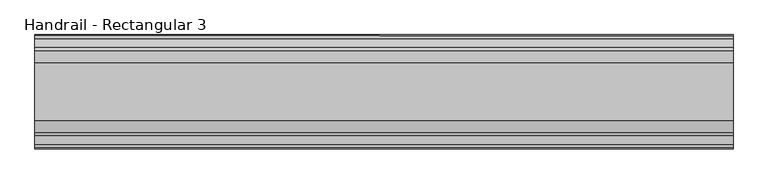
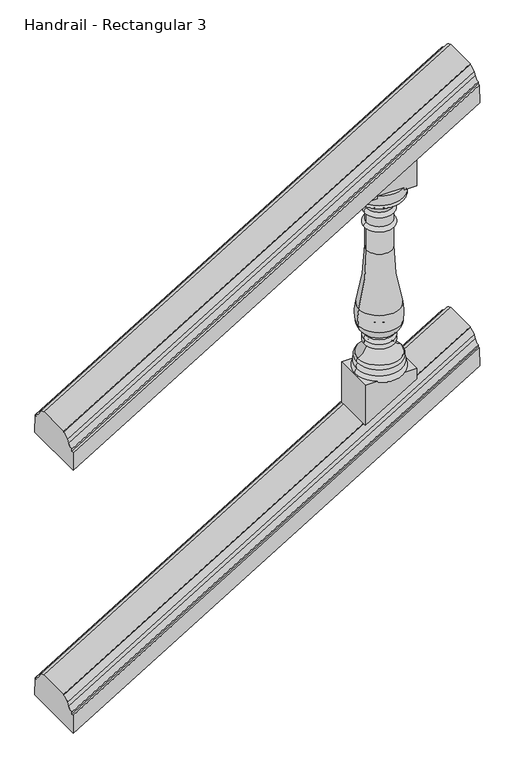
"""IFC4 building model written with IfcOpenShell, lengths in millimetres: railing geometry, Handrail - Rectangular 3."""

from ifc_helpers import new_model, si_unit, point, frame, origin, place, context, project, spatial, polyline, circle_curve, ellipse_curve, trimmed, outline, extrude, source, transform, mapped, element, save
from ifc_brep_helpers import plane_surface, cylinder_surface, revolved_surface, advanced_brep


def handrail_rectangular_3_adaf7589(model_context):
    return source(origin(), model_context, "Body", "SolidModel", [
        advanced_brep(
        [(8498.7027138, 3915.5232089, 1199.0074207), (8498.7027138, 3932.6436506, 1210.4791063), (8498.7027138, 3939.1037227, 1221.5403426), (8498.7027138, 3963.1482089, 1232.4207421), (8498.7027138, 3963.1482089, 1236.1333333), (8498.7027138, 4079.0357089, 1236.1333333), (8498.7027138, 4079.0357089, 1232.4207421), (8498.7027138, 4103.080195, 1221.5403426), (8498.7027138, 4109.5402671, 1210.4791063), (8498.7027138, 4126.6607089, 1199.0074207), (8498.7027138, 4126.6607089, 1191.5822381), (8498.7027138, 4133.8044589, 1191.5822381), (8498.7027138, 4135.3919589, 1128.4681866), (8498.7027138, 3906.7919589, 1128.4681866), (8498.7027138, 3908.3794589, 1191.5822381), (8498.7027138, 3915.5232089, 1191.5822381), (9895.7027138, 3915.5232089, 2045.6740873), (9895.7027138, 3915.5232089, 2038.2489048), (9895.7027138, 3908.3794589, 2038.2489048), (9895.7027138, 3906.7919589, 1975.1348533), (9895.7027138, 4135.3919589, 1975.1348533), (9895.7027138, 4133.8044589, 2038.2489048), (9895.7027138, 4126.6607089, 2038.2489048), (9895.7027138, 4126.6607089, 2045.6740873), (9895.7027138, 4109.5402671, 2057.145773), (9895.7027138, 4103.080195, 2068.2070092), (9895.7027138, 4079.0357089, 2079.0874087), (9895.7027138, 4079.0357089, 2082.8), (9895.7027138, 3963.1482089, 2082.8), (9895.7027138, 3963.1482089, 2079.0874087), (9895.7027138, 3939.1037227, 2068.2070092), (9895.7027138, 3932.6436506, 2057.145773)],
        [
            (0, 1, ellipse_curve(frame((8498.7027138, 3915.5232089, 1222.2111161), z_axis=(1.0, 0.0, 0.0), x_axis=(0.0, 0.0, 1.0)), 23.2036954, 19.84375)),
            (1, 2),
            (2, 3, ellipse_curve(frame((8498.7027138, 3963.1482089, 1190.6540903), z_axis=(-1.0, 0.0, 0.0), x_axis=(0.0, 0.0, -1.0)), 41.7666517, 35.71875)),
            (3, 4),
            (4, 5),
            (5, 6),
            (6, 7, ellipse_curve(frame((8498.7027138, 4079.0357089, 1190.6540903), z_axis=(-1.0, 0.0, 0.0), x_axis=(0.0, 0.0, -1.0)), 41.7666517, 35.71875)),
            (7, 8),
            (8, 9, ellipse_curve(frame((8498.7027138, 4126.6607089, 1222.2111161), z_axis=(1.0, 0.0, 0.0), x_axis=(0.0, 0.0, 1.0)), 23.2036954, 19.84375)),
            (9, 10),
            (10, 11),
            (11, 12),
            (12, 13),
            (13, 14),
            (14, 15),
            (15, 0),
            (16, 17),
            (17, 18),
            (18, 19),
            (19, 20),
            (20, 21),
            (21, 22),
            (22, 23),
            (23, 24, ellipse_curve(frame((9895.7027138, 4126.6607089, 2068.8777828), z_axis=(-1.0, 0.0, 0.0), x_axis=(0.0, 0.0, 1.0)), 23.2036954, 19.84375)),
            (24, 25),
            (25, 26, ellipse_curve(frame((9895.7027138, 4079.0357089, 2037.320757), z_axis=(1.0, 0.0, 0.0), x_axis=(0.0, 0.0, -1.0)), 41.7666517, 35.71875)),
            (26, 27),
            (27, 28),
            (28, 29),
            (29, 30, ellipse_curve(frame((9895.7027138, 3963.1482089, 2037.320757), z_axis=(1.0, 0.0, 0.0), x_axis=(0.0, 0.0, -1.0)), 41.7666517, 35.71875)),
            (30, 31),
            (31, 16, ellipse_curve(frame((9895.7027138, 3915.5232089, 2068.8777828), z_axis=(-1.0, 0.0, 0.0), x_axis=(0.0, 0.0, 1.0)), 23.2036954, 19.84375)),
            (0, 16),
            (31, 1),
            (30, 2),
            (29, 3),
            (28, 4),
            (27, 5),
            (26, 6),
            (25, 7),
            (24, 8),
            (23, 9),
            (22, 10),
            (21, 11),
            (20, 12),
            (19, 13),
            (18, 14),
            (17, 15),
        ],
        [
            plane_surface(frame((8498.7027138, 4021.0919589, 1236.1333333), z_axis=(-1.0, 0.0, 0.0), x_axis=(0.0, 1.0, 0.0))),
            plane_surface(frame((9895.7027138, 4021.0919589, 2082.8), z_axis=(1.0, 0.0, 0.0), x_axis=(0.0, 1.0, 0.0))),
            revolved_surface(polyline([(9911.187982704496, 3932.643650672254, 2066.5307845075777), (8493.617883342451, 3932.643650672254, 1207.3973909549572)]), (8504.8737436, 3915.5232089, 1225.9511342), (0.8551978315540539, 0.0, 0.518301716093285)),
            plane_surface(frame((8498.7027138, 3932.6436506, 1210.4791063), z_axis=(-0.29229904298269427, -0.8258052588880854, 0.482293420921521), x_axis=(0.8551978315540539, 0.0, 0.5183017160932849))),
            cylinder_surface(frame((8518.8614111, 3963.1482089, 1202.8714827), z_axis=(-0.8551978315540539, 0.0, -0.518301716093285), x_axis=(-0.518301716093285, 0.0, 0.8551978315540539)), 35.71875),
            plane_surface(frame((8498.7027138, 3963.1482089, 1232.4207421), z_axis=(0.0, -1.0000000000000002, 0.0), x_axis=(0.8551978315540539, 0.0, 0.518301716093285))),
            plane_surface(frame((8498.7027138, 3963.1482089, 1236.1333333), z_axis=(-0.518301716093285, 0.0, 0.8551978315540539), x_axis=(0.8551978315540539, 0.0, 0.518301716093285))),
            plane_surface(frame((8498.7027138, 4079.0357089, 1236.1333333), z_axis=(0.0, 1.0000000000000002, 0.0), x_axis=(0.8551978315540539, 0.0, 0.518301716093285))),
            cylinder_surface(frame((8518.8614111, 4079.0357089, 1202.8714827), z_axis=(-0.8551978315540539, 0.0, -0.518301716093285), x_axis=(-0.518301716093285, 0.0, 0.8551978315540539)), 35.71875),
            plane_surface(frame((8498.7027138, 4103.080195, 1221.5403426), z_axis=(-0.2922990429826896, 0.8258052588880918, 0.4822934209215132), x_axis=(0.8551978315540539, 0.0, 0.518301716093285))),
            revolved_surface(polyline([(9911.187982704496, 4109.540267127746, 2066.5307845075777), (8493.617883342451, 4109.540267127746, 1207.3973909549572)]), (8504.8737436, 4126.6607089, 1225.9511342), (0.8551978315540539, 0.0, 0.518301716093285)),
            plane_surface(frame((8498.7027138, 4126.6607089, 1199.0074207), z_axis=(0.0, 1.0000000000000002, 0.0), x_axis=(0.8551978315540539, 0.0, 0.518301716093285))),
            plane_surface(frame((8498.7027138, 4126.6607089, 1191.5822381), z_axis=(-0.5183017160932849, 0.0, 0.8551978315540539), x_axis=(0.8551978315540539, 0.0, 0.5183017160932849))),
            plane_surface(frame((8498.7027138, 4133.8044589, 1191.5822381), z_axis=(-0.015237578896775987, 0.9995677544643533, 0.02514200517968431), x_axis=(0.8551978315540539, 0.0, 0.5183017160932849))),
            plane_surface(frame((8498.7027138, 4135.3919589, 1128.4681866), z_axis=(0.518301716093285, 0.0, -0.8551978315540539), x_axis=(0.8551978315540539, 0.0, 0.518301716093285))),
            plane_surface(frame((8498.7027138, 3906.7919589, 1128.4681866), z_axis=(-0.015237578896776153, -0.9995677544643533, 0.02514200517968458), x_axis=(0.8551978315540539, 0.0, 0.518301716093285))),
            plane_surface(frame((8498.7027138, 3908.3794589, 1191.5822381), z_axis=(-0.5183017160932849, 0.0, 0.8551978315540539), x_axis=(0.8551978315540539, 0.0, 0.5183017160932849))),
            plane_surface(frame((8498.7027138, 3915.5232089, 1191.5822381), z_axis=(0.0, -1.0000000000000002, 0.0), x_axis=(0.8551978315540539, 0.0, 0.5183017160932849))),
        ],
        [
            (0, [[1, 2, 3, 4, 5, 6, 7, 8, 9, 10, 11, 12, 13, 14, 15, 16]]),
            (1, [[17, 18, 19, 20, 21, 22, 23, 24, 25, 26, 27, 28, 29, 30, 31, 32]]),
            (2, [[-1, 33, -32, 34]]),
            (3, [[-2, -34, -31, 35]]),
            (4, [[-3, -35, -30, 36]]),
            (5, [[-4, -36, -29, 37]]),
            (6, [[-5, -37, -28, 38]]),
            (7, [[-6, -38, -27, 39]]),
            (8, [[-7, -39, -26, 40]]),
            (9, [[-8, -40, -25, 41]]),
            (10, [[-9, -41, -24, 42]]),
            (11, [[-10, -42, -23, 43]]),
            (12, [[-11, -43, -22, 44]]),
            (13, [[-12, -44, -21, 45]]),
            (14, [[-13, -45, -20, 46]]),
            (15, [[-14, -46, -19, 47]]),
            (16, [[-15, -47, -18, 48]]),
            (17, [[-16, -48, -17, -33]]),
        ],
    ),
        advanced_brep(
        [(8498.7027138, 3915.5232089, 243.3324207), (8498.7027138, 3932.6436506, 254.8041063), (8498.7027138, 3939.1037227, 265.8653426), (8498.7027138, 3963.1482089, 276.7457421), (8498.7027138, 3963.1482089, 280.4583333), (8498.7027138, 4079.0357089, 280.4583333), (8498.7027138, 4079.0357089, 276.7457421), (8498.7027138, 4103.080195, 265.8653426), (8498.7027138, 4109.5402671, 254.8041063), (8498.7027138, 4126.6607089, 243.3324207), (8498.7027138, 4126.6607089, 235.9072381), (8498.7027138, 4133.8044589, 235.9072381), (8498.7027138, 4135.3919589, 172.7931866), (8498.7027138, 3906.7919589, 172.7931866), (8498.7027138, 3908.3794589, 235.9072381), (8498.7027138, 3915.5232089, 235.9072381), (9895.7027138, 3915.5232089, 1089.9990873), (9895.7027138, 3915.5232089, 1082.5739048), (9895.7027138, 3908.3794589, 1082.5739048), (9895.7027138, 3906.7919589, 1019.4598533), (9895.7027138, 4135.3919589, 1019.4598533), (9895.7027138, 4133.8044589, 1082.5739048), (9895.7027138, 4126.6607089, 1082.5739048), (9895.7027138, 4126.6607089, 1089.9990873), (9895.7027138, 4109.5402671, 1101.470773), (9895.7027138, 4103.080195, 1112.5320092), (9895.7027138, 4079.0357089, 1123.4124087), (9895.7027138, 4079.0357089, 1127.125), (9895.7027138, 3963.1482089, 1127.125), (9895.7027138, 3963.1482089, 1123.4124087), (9895.7027138, 3939.1037227, 1112.5320092), (9895.7027138, 3932.6436506, 1101.470773)],
        [
            (0, 1, ellipse_curve(frame((8498.7027138, 3915.5232089, 266.5361161), z_axis=(1.0, 0.0, 0.0), x_axis=(0.0, 0.0, 1.0)), 23.2036954, 19.84375)),
            (1, 2),
            (2, 3, ellipse_curve(frame((8498.7027138, 3963.1482089, 234.9790903), z_axis=(-1.0, 0.0, 0.0), x_axis=(0.0, 0.0, -1.0)), 41.7666517, 35.71875)),
            (3, 4),
            (4, 5),
            (5, 6),
            (6, 7, ellipse_curve(frame((8498.7027138, 4079.0357089, 234.9790903), z_axis=(-1.0, 0.0, 0.0), x_axis=(0.0, 0.0, -1.0)), 41.7666517, 35.71875)),
            (7, 8),
            (8, 9, ellipse_curve(frame((8498.7027138, 4126.6607089, 266.5361161), z_axis=(1.0, 0.0, 0.0), x_axis=(0.0, 0.0, 1.0)), 23.2036954, 19.84375)),
            (9, 10),
            (10, 11),
            (11, 12),
            (12, 13),
            (13, 14),
            (14, 15),
            (15, 0),
            (16, 17),
            (17, 18),
            (18, 19),
            (19, 20),
            (20, 21),
            (21, 22),
            (22, 23),
            (23, 24, ellipse_curve(frame((9895.7027138, 4126.6607089, 1113.2027828), z_axis=(-1.0, 0.0, 0.0), x_axis=(0.0, 0.0, 1.0)), 23.2036954, 19.84375)),
            (24, 25),
            (25, 26, ellipse_curve(frame((9895.7027138, 4079.0357089, 1081.645757), z_axis=(1.0, 0.0, 0.0), x_axis=(0.0, 0.0, -1.0)), 41.7666517, 35.71875)),
            (26, 27),
            (27, 28),
            (28, 29),
            (29, 30, ellipse_curve(frame((9895.7027138, 3963.1482089, 1081.645757), z_axis=(1.0, 0.0, 0.0), x_axis=(0.0, 0.0, -1.0)), 41.7666517, 35.71875)),
            (30, 31),
            (31, 16, ellipse_curve(frame((9895.7027138, 3915.5232089, 1113.2027828), z_axis=(-1.0, 0.0, 0.0), x_axis=(0.0, 0.0, 1.0)), 23.2036954, 19.84375)),
            (0, 16),
            (31, 1),
            (30, 2),
            (29, 3),
            (28, 4),
            (27, 5),
            (26, 6),
            (25, 7),
            (24, 8),
            (23, 9),
            (22, 10),
            (21, 11),
            (20, 12),
            (19, 13),
            (18, 14),
            (17, 15),
        ],
        [
            plane_surface(frame((8498.7027138, 4021.0919589, 280.4583333), z_axis=(-1.0, 0.0, 0.0), x_axis=(0.0, 1.0, 0.0))),
            plane_surface(frame((9895.7027138, 4021.0919589, 1127.125), z_axis=(1.0, 0.0, 0.0), x_axis=(0.0, 1.0, 0.0))),
            revolved_surface(polyline([(9911.187982704496, 3932.643650672254, 1110.8557845075777), (8493.617883342451, 3932.643650672254, 251.72239095495712)]), (8504.8737436, 3915.5232089, 270.2761342), (0.8551978315540539, 0.0, 0.518301716093285)),
            plane_surface(frame((8498.7027138, 3932.6436506, 254.8041063), z_axis=(-0.29229904298269427, -0.8258052588880856, 0.48229342092152083), x_axis=(0.8551978315540538, 0.0, 0.518301716093285))),
            cylinder_surface(frame((8518.8614111, 3963.1482089, 247.1964827), z_axis=(-0.8551978315540539, 0.0, -0.518301716093285), x_axis=(-0.518301716093285, 0.0, 0.8551978315540539)), 35.71875),
            plane_surface(frame((8498.7027138, 3963.1482089, 276.7457421), z_axis=(0.0, -1.0000000000000002, 0.0), x_axis=(0.8551978315540539, 0.0, 0.518301716093285))),
            plane_surface(frame((8498.7027138, 3963.1482089, 280.4583333), z_axis=(-0.518301716093285, 0.0, 0.8551978315540539), x_axis=(0.8551978315540539, 0.0, 0.518301716093285))),
            plane_surface(frame((8498.7027138, 4079.0357089, 280.4583333), z_axis=(0.0, 1.0000000000000002, 0.0), x_axis=(0.8551978315540539, 0.0, 0.518301716093285))),
            cylinder_surface(frame((8518.8614111, 4079.0357089, 247.1964827), z_axis=(-0.8551978315540539, 0.0, -0.518301716093285), x_axis=(-0.518301716093285, 0.0, 0.8551978315540539)), 35.71875),
            plane_surface(frame((8498.7027138, 4103.080195, 265.8653426), z_axis=(-0.2922990429826896, 0.8258052588880918, 0.4822934209215132), x_axis=(0.8551978315540539, 0.0, 0.518301716093285))),
            revolved_surface(polyline([(9911.187982704496, 4109.540267127746, 1110.8557845075777), (8493.617883342451, 4109.540267127746, 251.72239095495718)]), (8504.8737436, 4126.6607089, 270.2761342), (0.8551978315540539, 0.0, 0.518301716093285)),
            plane_surface(frame((8498.7027138, 4126.6607089, 243.3324207), z_axis=(0.0, 1.0000000000000002, 0.0), x_axis=(0.8551978315540539, 0.0, 0.518301716093285))),
            plane_surface(frame((8498.7027138, 4126.6607089, 235.9072381), z_axis=(-0.518301716093285, 0.0, 0.8551978315540539), x_axis=(0.8551978315540539, 0.0, 0.518301716093285))),
            plane_surface(frame((8498.7027138, 4133.8044589, 235.9072381), z_axis=(-0.015237578896775988, 0.9995677544643533, 0.02514200517968431), x_axis=(0.8551978315540539, 0.0, 0.518301716093285))),
            plane_surface(frame((8498.7027138, 4135.3919589, 172.7931866), z_axis=(0.518301716093285, 0.0, -0.8551978315540538), x_axis=(0.8551978315540538, 0.0, 0.518301716093285))),
            plane_surface(frame((8498.7027138, 3906.7919589, 172.7931866), z_axis=(-0.015237578896776151, -0.9995677544643531, 0.025142005179684575), x_axis=(0.8551978315540538, 0.0, 0.518301716093285))),
            plane_surface(frame((8498.7027138, 3908.3794589, 235.9072381), z_axis=(-0.518301716093285, 0.0, 0.8551978315540539), x_axis=(0.8551978315540539, 0.0, 0.518301716093285))),
            plane_surface(frame((8498.7027138, 3915.5232089, 235.9072381), z_axis=(0.0, -1.0000000000000002, 0.0), x_axis=(0.8551978315540539, 0.0, 0.518301716093285))),
        ],
        [
            (0, [[1, 2, 3, 4, 5, 6, 7, 8, 9, 10, 11, 12, 13, 14, 15, 16]]),
            (1, [[17, 18, 19, 20, 21, 22, 23, 24, 25, 26, 27, 28, 29, 30, 31, 32]]),
            (2, [[-1, 33, -32, 34]]),
            (3, [[-2, -34, -31, 35]]),
            (4, [[-3, -35, -30, 36]]),
            (5, [[-4, -36, -29, 37]]),
            (6, [[-5, -37, -28, 38]]),
            (7, [[-6, -38, -27, 39]]),
            (8, [[-7, -39, -26, 40]]),
            (9, [[-8, -40, -25, 41]]),
            (10, [[-9, -41, -24, 42]]),
            (11, [[-10, -42, -23, 43]]),
            (12, [[-11, -43, -22, 44]]),
            (13, [[-12, -44, -21, 45]]),
            (14, [[-13, -45, -20, 46]]),
            (15, [[-14, -46, -19, 47]]),
            (16, [[-15, -47, -18, 48]]),
            (17, [[-16, -48, -17, -33]]),
        ],
    ),
        advanced_brep(
        [(9532.9589638, 4021.0919589, 1688.1840933), (9699.6464638, 4021.0919589, 1688.1840933), (9699.6464638, 4021.0919589, 1721.5215933), (9532.9589638, 4021.0919589, 1721.5215933), (9536.1339638, 4021.0919589, 1688.1840933), (9696.4714638, 4021.0919589, 1688.1840933), (9536.1339638, 4021.0919589, 1673.8965933), (9696.4714638, 4021.0919589, 1673.8965933), (9572.6464638, 4021.0919589, 1635.7965933), (9659.9589638, 4021.0919589, 1635.7965933), (9572.6464638, 4021.0919589, 1616.7465933), (9659.9589638, 4021.0919589, 1616.7465933), (9572.6464638, 4021.0919589, 1583.4090933), (9659.9589638, 4021.0919589, 1583.4090933), (9572.6464638, 4021.0919589, 1565.9465933), (9659.9589638, 4021.0919589, 1565.9465933), (9572.6464638, 4021.0919589, 1483.3965933), (9659.9589638, 4021.0919589, 1483.3965933), (9545.4579463, 4021.0919589, 1279.0781519), (9687.1474812, 4021.0919589, 1279.0781519), (9544.2675903, 4021.0919589, 1218.5359067), (9688.3378373, 4021.0919589, 1218.5359067), (9571.4786488, 4021.0919589, 1179.7002619), (9661.1267787, 4021.0919589, 1179.7002619), (9569.7533671, 4021.0919589, 1175.2179019), (9662.8520604, 4021.0919589, 1175.2179019), (9568.6777138, 4021.0919589, 1157.9590933), (9663.9277138, 4021.0919589, 1157.9590933), (9571.8527138, 4021.0919589, 1140.4965933), (9660.7527138, 4021.0919589, 1140.4965933), (9542.4839638, 4021.0919589, 1100.8090933), (9690.1214638, 4021.0919589, 1100.8090933), (9543.2777138, 4021.0919589, 1083.3465933), (9689.3277138, 4021.0919589, 1083.3465933), (9539.3089638, 4021.0919589, 1064.2965933), (9693.2964638, 4021.0919589, 1064.2965933), (9536.1339638, 4021.0919589, 1042.0715933), (9696.4714638, 4021.0919589, 1042.0715933), (9616.3027138, 4021.0919589, 1042.0715933), (9616.3027138, 4021.0919589, 1721.5215933)],
        [
            (0, 1, circle_curve(frame((9616.3027138, 4021.0919589, 1688.1840933), z_axis=(0.0, 0.0, 1.0), x_axis=(1.0, 0.0, 0.0)), 83.34375)),
            (1, 2),
            (2, 3, circle_curve(frame((9616.3027138, 4021.0919589, 1721.5215933), z_axis=(0.0, 0.0, -1.0), x_axis=(1.0, 0.0, 0.0)), 83.34375)),
            (3, 0),
            (1, 0, circle_curve(frame((9616.3027138, 4021.0919589, 1688.1840933), z_axis=(0.0, 0.0, 1.0), x_axis=(1.0, 0.0, 0.0)), 83.34375)),
            (3, 2, circle_curve(frame((9616.3027138, 4021.0919589, 1721.5215933), z_axis=(0.0, 0.0, -1.0), x_axis=(1.0, 0.0, 0.0)), 83.34375)),
            (4, 5, circle_curve(frame((9616.3027138, 4021.0919589, 1688.1840933), z_axis=(0.0, 0.0, 1.0), x_axis=(1.0, 0.0, 0.0)), 80.16875)),
            (5, 1),
            (0, 4),
            (5, 4, circle_curve(frame((9616.3027138, 4021.0919589, 1688.1840933), z_axis=(0.0, 0.0, 1.0), x_axis=(1.0, 0.0, 0.0)), 80.16875)),
            (6, 7, circle_curve(frame((9616.3027138, 4021.0919589, 1673.8965933), z_axis=(0.0, 0.0, 1.0), x_axis=(1.0, 0.0, 0.0)), 80.16875)),
            (7, 5, circle_curve(frame((9690.022245, 4021.0919589, 1681.0403433), z_axis=(0.0, -1.0, 0.0), x_axis=(1.0, 0.0, 0.0)), 9.6242187)),
            (4, 6, circle_curve(frame((9542.5831825, 4021.0919589, 1681.0403433), z_axis=(0.0, -1.0, 0.0), x_axis=(-1.0, 0.0, 0.0)), 9.6242187)),
            (7, 6, circle_curve(frame((9616.3027138, 4021.0919589, 1673.8965933), z_axis=(0.0, 0.0, 1.0), x_axis=(1.0, 0.0, 0.0)), 80.16875)),
            (8, 9, circle_curve(frame((9616.3027138, 4021.0919589, 1635.7965933), z_axis=(0.0, 0.0, 1.0), x_axis=(1.0, 0.0, 0.0)), 43.65625)),
            (9, 7, circle_curve(frame((9715.3757682, 4021.0919589, 1619.2343953), z_axis=(0.0, 1.0, 0.0), x_axis=(1.0, 0.0, 0.0)), 57.8388159)),
            (6, 8, circle_curve(frame((9517.2296593, 4021.0919589, 1619.2343953), z_axis=(0.0, 1.0, 0.0), x_axis=(-1.0, 0.0, 0.0)), 57.8388159)),
            (9, 8, circle_curve(frame((9616.3027138, 4021.0919589, 1635.7965933), z_axis=(0.0, 0.0, 1.0), x_axis=(1.0, 0.0, 0.0)), 43.65625)),
            (10, 11, circle_curve(frame((9616.3027138, 4021.0919589, 1616.7465933), z_axis=(0.0, 0.0, 1.0), x_axis=(1.0, 0.0, 0.0)), 43.65625)),
            (11, 9, circle_curve(frame((9658.2127138, 4021.0919589, 1626.2715933), z_axis=(0.0, -1.0, 0.0), x_axis=(1.0, 0.0, 0.0)), 9.68375)),
            (8, 10, circle_curve(frame((9574.3927138, 4021.0919589, 1626.2715933), z_axis=(0.0, -1.0, 0.0), x_axis=(-1.0, 0.0, 0.0)), 9.68375)),
            (11, 10, circle_curve(frame((9616.3027138, 4021.0919589, 1616.7465933), z_axis=(0.0, 0.0, 1.0), x_axis=(1.0, 0.0, 0.0)), 43.65625)),
            (12, 13, circle_curve(frame((9616.3027138, 4021.0919589, 1583.4090933), z_axis=(0.0, 0.0, 1.0), x_axis=(1.0, 0.0, 0.0)), 43.65625)),
            (13, 11),
            (10, 12),
            (13, 12, circle_curve(frame((9616.3027138, 4021.0919589, 1583.4090933), z_axis=(0.0, 0.0, 1.0), x_axis=(1.0, 0.0, 0.0)), 43.65625)),
            (14, 15, circle_curve(frame((9616.3027138, 4021.0919589, 1565.9465933), z_axis=(0.0, 0.0, 1.0), x_axis=(1.0, 0.0, 0.0)), 43.65625)),
            (15, 13, circle_curve(frame((9659.9589638, 4021.0919589, 1574.6778433), z_axis=(0.0, -1.0, 0.0), x_axis=(1.0, 0.0, 0.0)), 8.73125)),
            (12, 14, circle_curve(frame((9572.6464638, 4021.0919589, 1574.6778433), z_axis=(0.0, -1.0, 0.0), x_axis=(-1.0, 0.0, 0.0)), 8.73125)),
            (15, 14, circle_curve(frame((9616.3027138, 4021.0919589, 1565.9465933), z_axis=(0.0, 0.0, 1.0), x_axis=(1.0, 0.0, 0.0)), 43.65625)),
            (16, 17, circle_curve(frame((9616.3027138, 4021.0919589, 1483.3965933), z_axis=(0.0, 0.0, 1.0), x_axis=(1.0, 0.0, 0.0)), 43.65625)),
            (17, 15),
            (14, 16),
            (17, 16, circle_curve(frame((9616.3027138, 4021.0919589, 1483.3965933), z_axis=(0.0, 0.0, 1.0), x_axis=(1.0, 0.0, 0.0)), 43.65625)),
            (18, 19, circle_curve(frame((9616.3027138, 4021.0919589, 1279.0781519), z_axis=(0.0, 0.0, 1.0), x_axis=(1.0, 0.0, 0.0)), 70.8447675)),
            (19, 17, circle_curve(frame((10394.7357133, 4021.0919589, 1477.2046413), z_axis=(0.0, 1.0, 0.0), x_axis=(1.0, 0.0, 0.0)), 734.8028389)),
            (16, 18, circle_curve(frame((8837.8697142, 4021.0919589, 1477.2046413), z_axis=(0.0, 1.0, 0.0), x_axis=(-1.0, 0.0, 0.0)), 734.8028389)),
            (19, 18, circle_curve(frame((9616.3027138, 4021.0919589, 1279.0781519), z_axis=(0.0, 0.0, 1.0), x_axis=(1.0, 0.0, 0.0)), 70.8447675)),
            (20, 21, circle_curve(frame((9616.3027138, 4021.0919589, 1218.5359067), z_axis=(0.0, 0.0, 1.0), x_axis=(1.0, 0.0, 0.0)), 72.0351235)),
            (21, 19, circle_curve(frame((9529.2488591, 4021.0919589, 1245.6907913), z_axis=(0.0, -1.0, 0.0), x_axis=(1.0, 0.0, 0.0)), 161.3898718)),
            (18, 20, circle_curve(frame((9703.3565684, 4021.0919589, 1245.6907913), z_axis=(0.0, -1.0, 0.0), x_axis=(-1.0, 0.0, 0.0)), 161.3898718)),
            (21, 20, circle_curve(frame((9616.3027138, 4021.0919589, 1218.5359067), z_axis=(0.0, 0.0, 1.0), x_axis=(1.0, 0.0, 0.0)), 72.0351235)),
            (22, 23, circle_curve(frame((9616.3027138, 4021.0919589, 1179.7002619), z_axis=(0.0, 0.0, 1.0), x_axis=(1.0, 0.0, 0.0)), 44.8240649)),
            (23, 21, circle_curve(frame((9638.6078154, 4021.0919589, 1224.4295137), z_axis=(0.0, -1.0, 0.0), x_axis=(1.0, 0.0, 0.0)), 50.0780358)),
            (20, 22, circle_curve(frame((9593.9976121, 4021.0919589, 1224.4295137), z_axis=(0.0, -1.0, 0.0), x_axis=(-1.0, 0.0, 0.0)), 50.0780358)),
            (23, 22, circle_curve(frame((9616.3027138, 4021.0919589, 1179.7002619), z_axis=(0.0, 0.0, 1.0), x_axis=(1.0, 0.0, 0.0)), 44.8240649)),
            (24, 25, circle_curve(frame((9616.3027138, 4021.0919589, 1175.2179019), z_axis=(0.0, 0.0, 1.0), x_axis=(1.0, 0.0, 0.0)), 46.5493467)),
            (25, 23, circle_curve(frame((9663.9277138, 4021.0919589, 1178.2051405), z_axis=(0.0, 1.0, 0.0), x_axis=(1.0, 0.0, 0.0)), 3.175)),
            (22, 24, circle_curve(frame((9568.6777138, 4021.0919589, 1178.2051405), z_axis=(0.0, 1.0, 0.0), x_axis=(-1.0, 0.0, 0.0)), 3.175)),
            (25, 24, circle_curve(frame((9616.3027138, 4021.0919589, 1175.2179019), z_axis=(0.0, 0.0, 1.0), x_axis=(1.0, 0.0, 0.0)), 46.5493467)),
            (26, 27, circle_curve(frame((9616.3027138, 4021.0919589, 1157.9590933), z_axis=(0.0, 0.0, 1.0), x_axis=(1.0, 0.0, 0.0)), 47.625)),
            (27, 25, circle_curve(frame((9658.851349, 4021.0919589, 1166.3056337), z_axis=(0.0, -1.0, 0.0), x_axis=(1.0, 0.0, 0.0)), 9.7690437)),
            (24, 26, circle_curve(frame((9573.7540785, 4021.0919589, 1166.3056337), z_axis=(0.0, -1.0, 0.0), x_axis=(-1.0, 0.0, 0.0)), 9.7690437)),
            (27, 26, circle_curve(frame((9616.3027138, 4021.0919589, 1157.9590933), z_axis=(0.0, 0.0, 1.0), x_axis=(1.0, 0.0, 0.0)), 47.625)),
            (28, 29, circle_curve(frame((9616.3027138, 4021.0919589, 1140.4965933), z_axis=(0.0, 0.0, 1.0), x_axis=(1.0, 0.0, 0.0)), 44.45)),
            (29, 27, circle_curve(frame((9659.3140419, 4021.0919589, 1149.7780564), z_axis=(0.0, -1.0, 0.0), x_axis=(1.0, 0.0, 0.0)), 9.3923018)),
            (26, 28, circle_curve(frame((9573.2913856, 4021.0919589, 1149.7780564), z_axis=(0.0, -1.0, 0.0), x_axis=(-1.0, 0.0, 0.0)), 9.3923018)),
            (29, 28, circle_curve(frame((9616.3027138, 4021.0919589, 1140.4965933), z_axis=(0.0, 0.0, 1.0), x_axis=(1.0, 0.0, 0.0)), 44.45)),
            (30, 31, circle_curve(frame((9616.3027138, 4021.0919589, 1100.8090933), z_axis=(0.0, 0.0, 1.0), x_axis=(1.0, 0.0, 0.0)), 73.81875)),
            (31, 29, circle_curve(frame((9702.2529671, 4021.0919589, 1140.4965933), z_axis=(0.0, 1.0, 0.0), x_axis=(1.0, 0.0, 0.0)), 41.5002534)),
            (28, 30, circle_curve(frame((9530.3524604, 4021.0919589, 1140.4965933), z_axis=(0.0, 1.0, 0.0), x_axis=(-1.0, 0.0, 0.0)), 41.5002534)),
            (31, 30, circle_curve(frame((9616.3027138, 4021.0919589, 1100.8090933), z_axis=(0.0, 0.0, 1.0), x_axis=(1.0, 0.0, 0.0)), 73.81875)),
            (32, 33, circle_curve(frame((9616.3027138, 4021.0919589, 1083.3465933), z_axis=(0.0, 0.0, 1.0), x_axis=(1.0, 0.0, 0.0)), 73.025)),
            (33, 31, circle_curve(frame((9680.8169499, 4021.0919589, 1092.482736), z_axis=(0.0, -1.0, 0.0), x_axis=(1.0, 0.0, 0.0)), 12.4860804)),
            (30, 32, circle_curve(frame((9551.7884776, 4021.0919589, 1092.482736), z_axis=(0.0, -1.0, 0.0), x_axis=(-1.0, 0.0, 0.0)), 12.4860804)),
            (33, 32, circle_curve(frame((9616.3027138, 4021.0919589, 1083.3465933), z_axis=(0.0, 0.0, 1.0), x_axis=(1.0, 0.0, 0.0)), 73.025)),
            (34, 35, circle_curve(frame((9616.3027138, 4021.0919589, 1064.2965933), z_axis=(0.0, 0.0, 1.0), x_axis=(1.0, 0.0, 0.0)), 76.99375)),
            (35, 33, circle_curve(frame((9682.6529979, 4021.0919589, 1072.017616), z_axis=(0.0, -1.0, 0.0), x_axis=(1.0, 0.0, 0.0)), 13.1490516)),
            (32, 34, circle_curve(frame((9549.9524297, 4021.0919589, 1072.017616), z_axis=(0.0, -1.0, 0.0), x_axis=(-1.0, 0.0, 0.0)), 13.1490516)),
            (35, 34, circle_curve(frame((9616.3027138, 4021.0919589, 1064.2965933), z_axis=(0.0, 0.0, 1.0), x_axis=(1.0, 0.0, 0.0)), 76.99375)),
            (36, 37, circle_curve(frame((9616.3027138, 4021.0919589, 1042.0715933), z_axis=(0.0, 0.0, 1.0), x_axis=(1.0, 0.0, 0.0)), 80.16875)),
            (37, 35, circle_curve(frame((9686.322803, 4021.0919589, 1051.9610704), z_axis=(0.0, -1.0, 0.0), x_axis=(1.0, 0.0, 0.0)), 14.1702883)),
            (34, 36, circle_curve(frame((9546.2826245, 4021.0919589, 1051.9610704), z_axis=(0.0, -1.0, 0.0), x_axis=(-1.0, 0.0, 0.0)), 14.1702883)),
            (37, 36, circle_curve(frame((9616.3027138, 4021.0919589, 1042.0715933), z_axis=(0.0, 0.0, 1.0), x_axis=(1.0, 0.0, 0.0)), 80.16875)),
            (38, 37),
            (36, 38),
            (2, 39),
            (39, 3),
        ],
        [
            cylinder_surface(frame((9616.3027138, 4021.0919589, 1670.7215933), z_axis=(0.0, 0.0, -1.0), x_axis=(1.0, 0.0, 0.0)), 83.34375),
            plane_surface(frame((9616.3027138, 4021.0919589, 1688.1840933), z_axis=(0.0, 0.0, -1.0), x_axis=(1.0, 0.0, 0.0))),
            revolved_surface(trimmed(ellipse_curve(frame((9690.022245, 4021.0919589, 1681.0403433), z_axis=(0.0, 1.0, 0.0), x_axis=(1.0, 0.0, 0.0)), 9.6242187, 9.6242187), [point((9696.4714638, 4021.0919589, 1688.1840933))], [point((9696.4714638, 4021.0919589, 1673.8965933))], True, "CARTESIAN"), (9616.3027138, 4021.0919589, 1670.7215933), (0.0, 0.0, -1.0)),
            revolved_surface(trimmed(ellipse_curve(frame((9715.3757682, 4021.0919589, 1619.2343953), z_axis=(0.0, -1.0, 0.0), x_axis=(1.0, 0.0, 0.0)), 57.8388159, 57.8388159), [point((9696.4714638, 4021.0919589, 1673.8965933))], [point((9659.9589638, 4021.0919589, 1635.7965933))], True, "CARTESIAN"), (9616.3027138, 4021.0919589, 1670.7215933), (0.0, 0.0, -1.0)),
            revolved_surface(trimmed(ellipse_curve(frame((9658.2127138, 4021.0919589, 1626.2715933), z_axis=(0.0, 1.0, 0.0), x_axis=(1.0, 0.0, 0.0)), 9.68375, 9.68375), [point((9659.9589638, 4021.0919589, 1635.7965933))], [point((9659.9589638, 4021.0919589, 1616.7465933))], True, "CARTESIAN"), (9616.3027138, 4021.0919589, 1670.7215933), (0.0, 0.0, -1.0)),
            cylinder_surface(frame((9616.3027138, 4021.0919589, 1670.7215933), z_axis=(0.0, 0.0, -1.0), x_axis=(1.0, 0.0, 0.0)), 43.65625),
            revolved_surface(trimmed(ellipse_curve(frame((9659.9589638, 4021.0919589, 1574.6778433), z_axis=(0.0, 1.0, 0.0), x_axis=(1.0, 0.0, 0.0)), 8.73125, 8.73125), [point((9659.9589638, 4021.0919589, 1583.4090933))], [point((9659.9589638, 4021.0919589, 1565.9465933))], True, "CARTESIAN"), (9616.3027138, 4021.0919589, 1670.7215933), (0.0, 0.0, -1.0)),
            revolved_surface(trimmed(ellipse_curve(frame((10394.7357133, 4021.0919589, 1477.2046413), z_axis=(0.0, -1.0, 0.0), x_axis=(1.0, 0.0, 0.0)), 734.8028389, 734.8028389), [point((9659.9589638, 4021.0919589, 1483.3965933))], [point((9687.1474812, 4021.0919589, 1279.0781519))], True, "CARTESIAN"), (9616.3027138, 4021.0919589, 1670.7215933), (0.0, 0.0, -1.0)),
            revolved_surface(trimmed(ellipse_curve(frame((9529.2488591, 4021.0919589, 1245.6907913), z_axis=(0.0, 1.0, 0.0), x_axis=(1.0, 0.0, 0.0)), 161.3898718, 161.3898718), [point((9687.1474812, 4021.0919589, 1279.0781519))], [point((9688.3378373, 4021.0919589, 1218.5359067))], True, "CARTESIAN"), (9616.3027138, 4021.0919589, 1670.7215933), (0.0, 0.0, -1.0)),
            revolved_surface(trimmed(ellipse_curve(frame((9638.6078154, 4021.0919589, 1224.4295137), z_axis=(0.0, 1.0, 0.0), x_axis=(1.0, 0.0, 0.0)), 50.0780358, 50.0780358), [point((9688.3378373, 4021.0919589, 1218.5359067))], [point((9661.1267787, 4021.0919589, 1179.7002619))], True, "CARTESIAN"), (9616.3027138, 4021.0919589, 1670.7215933), (0.0, 0.0, -1.0)),
            revolved_surface(trimmed(ellipse_curve(frame((9663.9277138, 4021.0919589, 1178.2051405), z_axis=(0.0, -1.0, 0.0), x_axis=(1.0, 0.0, 0.0)), 3.175, 3.175), [point((9661.1267787, 4021.0919589, 1179.7002619))], [point((9662.8520604, 4021.0919589, 1175.2179019))], True, "CARTESIAN"), (9616.3027138, 4021.0919589, 1670.7215933), (0.0, 0.0, -1.0)),
            revolved_surface(trimmed(ellipse_curve(frame((9658.851349, 4021.0919589, 1166.3056337), z_axis=(0.0, 1.0, 0.0), x_axis=(1.0, 0.0, 0.0)), 9.7690437, 9.7690437), [point((9662.8520604, 4021.0919589, 1175.2179019))], [point((9663.9277138, 4021.0919589, 1157.9590933))], True, "CARTESIAN"), (9616.3027138, 4021.0919589, 1670.7215933), (0.0, 0.0, -1.0)),
            revolved_surface(trimmed(ellipse_curve(frame((9659.3140419, 4021.0919589, 1149.7780564), z_axis=(0.0, 1.0, 0.0), x_axis=(1.0, 0.0, 0.0)), 9.3923018, 9.3923018), [point((9663.9277138, 4021.0919589, 1157.9590933))], [point((9660.7527138, 4021.0919589, 1140.4965933))], True, "CARTESIAN"), (9616.3027138, 4021.0919589, 1670.7215933), (0.0, 0.0, -1.0)),
            revolved_surface(trimmed(ellipse_curve(frame((9702.2529671, 4021.0919589, 1140.4965933), z_axis=(0.0, -1.0, 0.0), x_axis=(1.0, 0.0, 0.0)), 41.5002534, 41.5002534), [point((9660.7527138, 4021.0919589, 1140.4965933))], [point((9690.1214638, 4021.0919589, 1100.8090933))], True, "CARTESIAN"), (9616.3027138, 4021.0919589, 1670.7215933), (0.0, 0.0, -1.0)),
            revolved_surface(trimmed(ellipse_curve(frame((9680.8169499, 4021.0919589, 1092.482736), z_axis=(0.0, 1.0, 0.0), x_axis=(1.0, 0.0, 0.0)), 12.4860804, 12.4860804), [point((9690.1214638, 4021.0919589, 1100.8090933))], [point((9689.3277138, 4021.0919589, 1083.3465933))], True, "CARTESIAN"), (9616.3027138, 4021.0919589, 1670.7215933), (0.0, 0.0, -1.0)),
            revolved_surface(trimmed(ellipse_curve(frame((9682.6529979, 4021.0919589, 1072.017616), z_axis=(0.0, 1.0, 0.0), x_axis=(1.0, 0.0, 0.0)), 13.1490516, 13.1490516), [point((9689.3277138, 4021.0919589, 1083.3465933))], [point((9693.2964638, 4021.0919589, 1064.2965933))], True, "CARTESIAN"), (9616.3027138, 4021.0919589, 1670.7215933), (0.0, 0.0, -1.0)),
            revolved_surface(trimmed(ellipse_curve(frame((9686.322803, 4021.0919589, 1051.9610704), z_axis=(0.0, 1.0, 0.0), x_axis=(1.0, 0.0, 0.0)), 14.1702883, 14.1702883), [point((9693.2964638, 4021.0919589, 1064.2965933))], [point((9696.4714638, 4021.0919589, 1042.0715933))], True, "CARTESIAN"), (9616.3027138, 4021.0919589, 1670.7215933), (0.0, 0.0, -1.0)),
            plane_surface(frame((9616.3027138, 4021.0919589, 1042.0715933), z_axis=(0.0, 0.0, -1.0), x_axis=(1.0, 0.0, 0.0))),
            plane_surface(frame((9616.3027138, 4021.0919589, 1721.5215933), z_axis=(0.0, 0.0, 1.0), x_axis=(1.0, 0.0, 0.0))),
        ],
        [
            (0, [[1, 2, 3, 4]]),
            (0, [[5, -4, 6, -2]]),
            (1, [[7, 8, -1, 9]]),
            (1, [[10, -9, -5, -8]]),
            (2, [[11, 12, -7, 13]]),
            (2, [[14, -13, -10, -12]]),
            (3, [[15, 16, -11, 17]]),
            (3, [[18, -17, -14, -16]]),
            (4, [[19, 20, -15, 21]]),
            (4, [[22, -21, -18, -20]]),
            (5, [[23, 24, -19, 25]]),
            (5, [[26, -25, -22, -24]]),
            (6, [[27, 28, -23, 29]]),
            (6, [[30, -29, -26, -28]]),
            (5, [[31, 32, -27, 33]]),
            (5, [[34, -33, -30, -32]]),
            (7, [[35, 36, -31, 37]]),
            (7, [[38, -37, -34, -36]]),
            (8, [[39, 40, -35, 41]]),
            (8, [[42, -41, -38, -40]]),
            (9, [[43, 44, -39, 45]]),
            (9, [[46, -45, -42, -44]]),
            (10, [[47, 48, -43, 49]]),
            (10, [[50, -49, -46, -48]]),
            (11, [[51, 52, -47, 53]]),
            (11, [[54, -53, -50, -52]]),
            (12, [[55, 56, -51, 57]]),
            (12, [[58, -57, -54, -56]]),
            (13, [[59, 60, -55, 61]]),
            (13, [[62, -61, -58, -60]]),
            (14, [[63, 64, -59, 65]]),
            (14, [[66, -65, -62, -64]]),
            (15, [[67, 68, -63, 69]]),
            (15, [[70, -69, -66, -68]]),
            (16, [[71, 72, -67, 73]]),
            (16, [[74, -73, -70, -72]]),
            (17, [[75, -71, 76]]),
            (17, [[-76, -74, -75]]),
            (18, [[-3, 77, 78]]),
            (18, [[-6, -78, -77]]),
        ],
    ),
        extrude(outline(polyline([(1049.8666667, 9705.2027138), (1049.8666667, 9527.4027138), (903.9128788, 9527.4027138), (1011.6704545, 9705.2027138), (1049.8666667, 9705.2027138)])), frame((0.0, 3951.2419589, 0.0), z_axis=(0.0, 1.0, 0.0), x_axis=(0.0, 0.0, 1.0)), (0.0, 0.0, 1.0), 139.7),
        extrude(outline(polyline([(1713.72652, 9527.4027138), (1713.72652, 9705.2027138), (1859.6803078, 9705.2027138), (1751.9227321, 9527.4027138), (1713.72652, 9527.4027138)])), frame((0.0, 3951.2419589, 0.0), z_axis=(0.0, 1.0, 0.0), x_axis=(0.0, 0.0, 1.0)), (0.0, 0.0, 1.0), 139.7),
    ])


if __name__ == "__main__":
    model = new_model("IFC4")
    model_context = context("Model", 3, world=origin())
    ifc_project = project(units=[si_unit("LENGTHUNIT", "METRE", prefix="MILLI")], contexts=[model_context])
    site = spatial("IfcSite", under=ifc_project)
    building = spatial("IfcBuilding", under=site)
    placement = place(None, origin())
    handrail_rectangular_3_shape = handrail_rectangular_3_adaf7589(model_context)
    element("IfcRailing", 1, ObjectType="Handrail - Rectangular 3", at=placement, inside=building, context=model_context, shape_type="MappedRepresentation", body=[
        mapped(handrail_rectangular_3_shape, transform((0.0, 0.0, 0.0), x_axis=(1.0, 0.0, 0.0), y_axis=(0.0, 1.0, 0.0), z_axis=(0.0, 0.0, 1.0))),
    ])
    save(model, "model.ifc")
